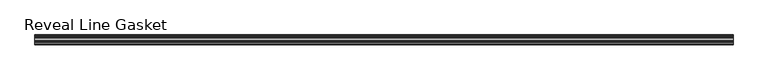
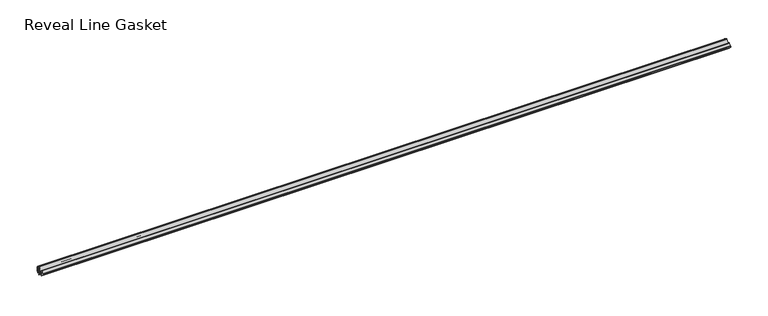
"""IFC4 building model written with IfcOpenShell, lengths in millimetres: furniture geometry, Reveal Line Gasket."""

from ifc_helpers import new_model, si_unit, point, frame, frame_2d, origin, place, context, project, spatial, polyline, circle_curve, trimmed, segment, composite_curve, outline, extrude, source, transform, mapped, element, save


def reveal_line_gasket_48aaa5db(model_context):
    return source(origin(), model_context, "Body", "SweptSolid", [
        extrude(outline(composite_curve([segment(polyline([(7.6326998, 1603.2), (7.6326998, 1597.2), (7.4091917, 1596.2445073), (6.8813059, 1595.3115316)]), True, "CONTINUOUS"), segment(trimmed(circle_curve(frame_2d((6.5243141, 1595.5135207)), 0.4101739), [point((6.8813059, 1595.3115316))], [point((6.1246704, 1595.6058653))], False, "CARTESIAN"), True, "CONTINUOUS"), segment(polyline([(6.1246704, 1595.6058653), (6.3626997, 1597.3020914), (6.3626997, 1599.3345473)]), True, "CONTINUOUS"), segment(trimmed(circle_curve(frame_2d((5.6959605, 1598.9180742)), 0.786124), [point((6.3626997, 1599.3345473))], [point((5.0926996, 1599.422125))], True, "CARTESIAN"), True, "CONTINUOUS"), segment(polyline([(5.0926996, 1599.422125), (0.7492996, 1599.422125), (3.7293824, 1594.2604705)]), True, "CONTINUOUS"), segment(trimmed(circle_curve(frame_2d((3.3132479, 1594.1950239)), 0.4212495), [point((3.7293824, 1594.2604705))], [point((3.0485022, 1593.8673642))], False, "CARTESIAN"), True, "CONTINUOUS"), segment(polyline([(3.0485022, 1593.8673642), (-0.5742594, 1599.422125), (-4.8262978, 1599.422125), (-3.1660374, 1596.5464703)]), True, "CONTINUOUS"), segment(trimmed(circle_curve(frame_2d((-3.5978728, 1596.4881145)), 0.4357605), [point((-3.1660374, 1596.5464703))], [point((-3.864328, 1596.1433119))], False, "CARTESIAN"), True, "CONTINUOUS"), segment(polyline([(-3.864328, 1596.1433119), (-6.1944059, 1599.422125), (-7.6326998, 1599.422125), (-7.6326998, 1600.977875), (-6.1944059, 1600.977875), (-3.864328, 1604.2566881)]), True, "CONTINUOUS"), segment(trimmed(circle_curve(frame_2d((-3.5978728, 1603.9118855)), 0.4357605), [point((-3.864328, 1604.2566881))], [point((-3.1660374, 1603.8535297))], False, "CARTESIAN"), True, "CONTINUOUS"), segment(polyline([(-3.1660374, 1603.8535297), (-4.8262978, 1600.977875), (-0.5742594, 1600.977875), (3.0485022, 1606.5326358)]), True, "CONTINUOUS"), segment(trimmed(circle_curve(frame_2d((3.3132479, 1606.2049761)), 0.4212495), [point((3.0485022, 1606.5326358))], [point((3.7293824, 1606.1395295))], False, "CARTESIAN"), True, "CONTINUOUS"), segment(polyline([(3.7293824, 1606.1395295), (0.7492996, 1600.977875), (5.0926996, 1600.977875)]), True, "CONTINUOUS"), segment(trimmed(circle_curve(frame_2d((5.6959605, 1601.4819258)), 0.786124), [point((5.0926996, 1600.977875))], [point((6.3626997, 1601.0654527))], True, "CARTESIAN"), True, "CONTINUOUS"), segment(polyline([(6.3626997, 1601.0654527), (6.3626997, 1603.0979086), (6.1246704, 1604.7941347)]), True, "CONTINUOUS"), segment(trimmed(circle_curve(frame_2d((6.5243141, 1604.8864793)), 0.4101739), [point((6.1246704, 1604.7941347))], [point((6.8813059, 1605.0884684))], False, "CARTESIAN"), True, "CONTINUOUS"), segment(polyline([(6.8813059, 1605.0884684), (7.4091917, 1604.1554927), (7.6326998, 1603.2)]), True, "CONTINUOUS")], self_intersect=False)), frame((-531.5204, 0.0, 0.0), z_axis=(1.0, 0.0, 0.0), x_axis=(0.0, 1.0, 0.0)), (0.0, 0.0, 1.0), 1063.0408),
    ])


if __name__ == "__main__":
    model = new_model("IFC4")
    model_context = context("Model", 3, world=origin())
    ifc_project = project(units=[si_unit("LENGTHUNIT", "METRE", prefix="MILLI")], contexts=[model_context])
    site = spatial("IfcSite", under=ifc_project)
    building = spatial("IfcBuilding", under=site)
    placement = place(None, origin())
    reveal_line_gasket_shape = reveal_line_gasket_48aaa5db(model_context)
    element("IfcFurniture", 1, ObjectType="Reveal Line Gasket", at=placement, inside=building, context=model_context, shape_type="MappedRepresentation", body=[
        mapped(reveal_line_gasket_shape, transform((0.0, 0.0, 0.0), x_axis=(1.0, 0.0, 0.0), y_axis=(0.0, 1.0, 0.0), z_axis=(0.0, 0.0, 1.0))),
    ])
    save(model, "model.ifc")
